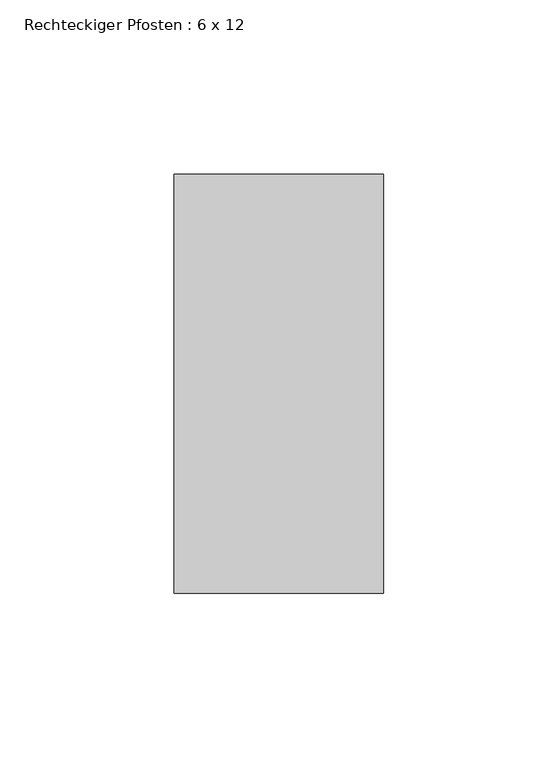
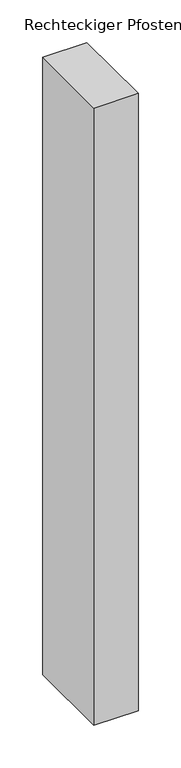
"""IFC4 building model written with IfcOpenShell, lengths in millimetres: member geometry, Rechteckiger Pfosten : 6 x 12."""

from ifc_helpers import new_model, si_unit, frame, origin, place, context, project, spatial, polyline, outline, extrude, source, transform, mapped, element, save


def rechteckiger_pfosten_6_x_12_646d5a96(model_context):
    return source(origin(), model_context, "Body", "SweptSolid", [
        extrude(outline(polyline([(0.0, 60.0), (0.0, -60.0), (-60.0, -60.0), (-60.0, 60.0), (0.0, 60.0)])), frame((0.0, 0.0, -883.3333333), z_axis=(0.0, 0.0, 1.0), x_axis=(1.0, 0.0, 0.0)), (0.0, 0.0, 1.0), 883.3333333),
    ])


if __name__ == "__main__":
    model = new_model("IFC4")
    model_context = context("Model", 3, world=origin())
    ifc_project = project(units=[si_unit("LENGTHUNIT", "METRE", prefix="MILLI")], contexts=[model_context])
    site = spatial("IfcSite", under=ifc_project)
    building = spatial("IfcBuilding", under=site)
    placement = place(None, origin())
    rechteckiger_pfosten_6_x_12_shape = rechteckiger_pfosten_6_x_12_646d5a96(model_context)
    element("IfcMember", 1, ObjectType="Rechteckiger Pfosten : 6 x 12", at=placement, inside=building, context=model_context, shape_type="MappedRepresentation", body=[
        mapped(rechteckiger_pfosten_6_x_12_shape, transform((0.0, 0.0, 0.0), x_axis=(1.0, 0.0, 0.0), y_axis=(0.0, 1.0, 0.0), z_axis=(0.0, 0.0, 1.0))),
    ])
    save(model, "model.ifc")
